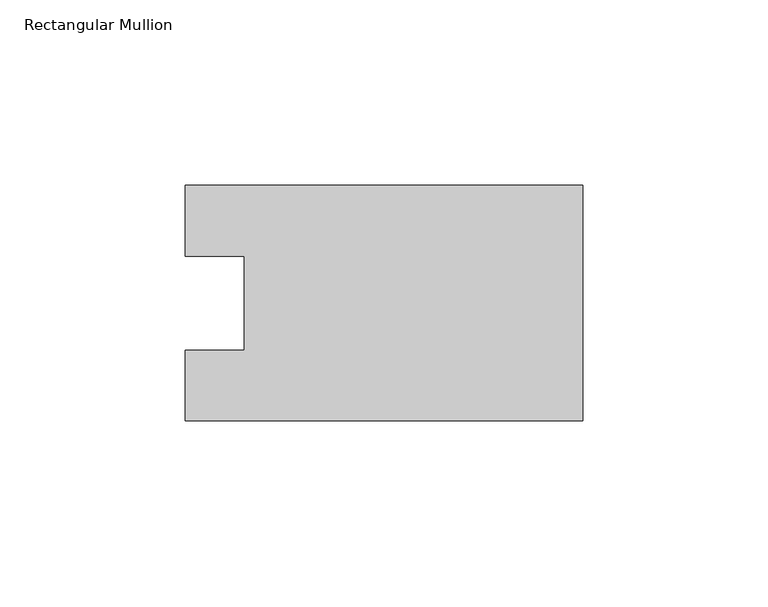
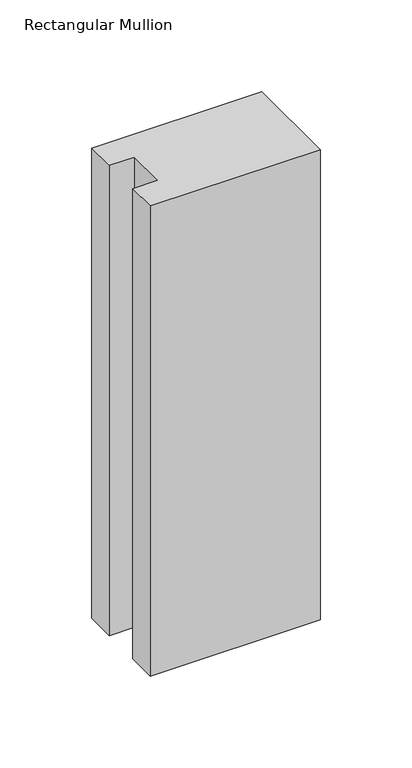
"""IFC4 building model written with IfcOpenShell, lengths in millimetres: member geometry, Rectangular Mullion."""

from ifc_helpers import new_model, si_unit, frame, origin, place, context, project, spatial, polyline, outline, extrude, source, transform, mapped, element, save


def rectangular_mullion_5152de87(model_context):
    return source(origin(), model_context, "Body", "SweptSolid", [
        extrude(outline(polyline([(0.0, -31.7489583), (-107.0607968, -31.7489583), (-107.0607968, -12.7), (-91.1857968, -12.7), (-91.1857968, 12.7), (-107.0607968, 12.7), (-107.0607968, 31.7489583), (0.0, 31.7489583), (0.0, -31.7489583)])), frame((0.0, 0.0, -312.8264), z_axis=(0.0, 0.0, 1.0), x_axis=(1.0, 0.0, 0.0)), (0.0, 0.0, 1.0), 312.8264),
    ])


if __name__ == "__main__":
    model = new_model("IFC4")
    model_context = context("Model", 3, world=origin())
    ifc_project = project(units=[si_unit("LENGTHUNIT", "METRE", prefix="MILLI")], contexts=[model_context])
    site = spatial("IfcSite", under=ifc_project)
    building = spatial("IfcBuilding", under=site)
    placement = place(None, origin())
    rectangular_mullion_shape = rectangular_mullion_5152de87(model_context)
    element("IfcMember", 1, ObjectType="Rectangular Mullion", at=placement, inside=building, context=model_context, shape_type="MappedRepresentation", body=[
        mapped(rectangular_mullion_shape, transform((0.0, 0.0, 0.0), x_axis=(1.0, 0.0, 0.0), y_axis=(0.0, 1.0, 0.0), z_axis=(0.0, 0.0, 1.0))),
    ])
    save(model, "model.ifc")
